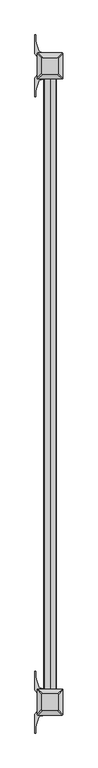
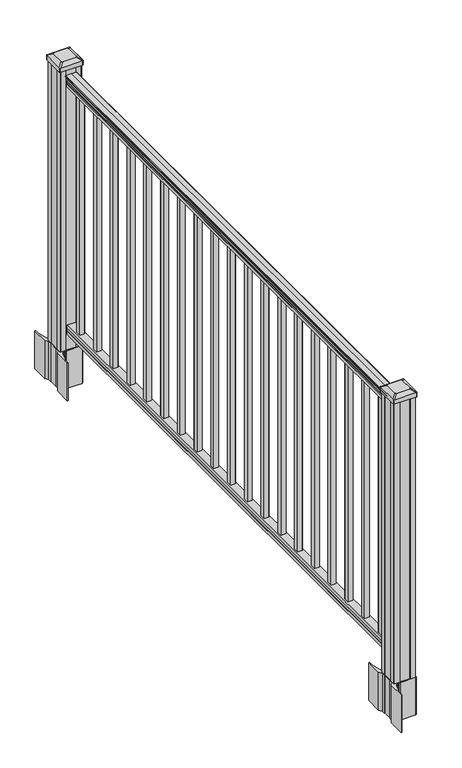
"""IFC4 building model written with IfcOpenShell, lengths in millimetres: railing geometry."""

from ifc_helpers import new_model, si_unit, point, frame, frame_2d, origin, origin_with_axes, place, context, project, spatial, polyline, circle_curve, trimmed, segment, composite_curve, outline, extrude, faceted_brep, source, transform, mapped, element, save
from ifc_brep_helpers import plane_surface, cylinder_surface, revolved_surface, extruded_surface, advanced_brep


def railing_b4187c51(model_context):
    return source(origin(), model_context, "Body", "SolidModel", [
        advanced_brep(
        [(4247.6868644, -6681.7137002, 1090.8043297), (4247.6868644, -6681.7137002, 1092.692412), (4248.8170507, -6681.7137002, 1094.2546695), (4248.8170507, -6681.7137002, 1101.4726458), (4248.1677942, -6681.7137002, 1103.9060812), (4250.6677942, -6681.7137002, 1108.2362083), (4252.0771367, -6681.7137002, 1109.9157972), (4252.4790357, -6681.7137002, 1111.0205318), (4252.4790356, -6681.7137002, 1112.3608158), (4250.9255884, -6681.7137002, 1113.914263), (4230.2540356, -6681.7137002, 1113.914263), (4209.5824828, -6681.7137002, 1113.914263), (4208.0290356, -6681.7137002, 1112.3608158), (4208.0290356, -6681.7137002, 1111.0205318), (4208.4309345, -6681.7137002, 1109.9157972), (4209.840277, -6681.7137002, 1108.2362083), (4212.340277, -6681.7137002, 1103.9060812), (4211.6910206, -6681.7137002, 1101.4726458), (4211.6910206, -6681.7137002, 1094.2546695), (4212.8212069, -6681.7137002, 1092.692412), (4212.8212069, -6681.7137002, 1090.8043297), (4215.3950356, -6681.7137002, 1090.8043297), (4215.3950356, -6681.7137002, 1080.3048283), (4214.3790356, -6681.7137002, 1079.2888283), (4214.3790356, -6681.7137002, 1066.8), (4246.1290356, -6681.7137002, 1066.8), (4246.1290356, -6681.7137002, 1079.131013), (4245.1130356, -6681.7137002, 1080.147013), (4245.1130356, -6681.7137002, 1090.8043297), (4247.6868644, -4548.1137002, 1090.8043297), (4245.1130356, -4548.1137002, 1090.8043297), (4245.1130356, -4548.1137002, 1080.147013), (4246.1290356, -4548.1137002, 1079.131013), (4246.1290356, -4548.1137002, 1066.8), (4214.3790356, -4548.1137002, 1066.8), (4214.3790356, -4548.1137002, 1079.2888283), (4215.3950356, -4548.1137002, 1080.3048283), (4215.3950356, -4548.1137002, 1090.8043297), (4212.8212069, -4548.1137002, 1090.8043297), (4212.8212069, -4548.1137002, 1092.692412), (4211.6910206, -4548.1137002, 1094.2546695), (4211.6910206, -4548.1137002, 1101.4726458), (4212.340277, -4548.1137002, 1103.9060812), (4209.840277, -4548.1137002, 1108.2362083), (4208.4309345, -4548.1137002, 1109.9157972), (4208.0290355, -4548.1137002, 1111.0205318), (4208.0290356, -4548.1137002, 1112.3608158), (4209.5824828, -4548.1137002, 1113.914263), (4230.2540356, -4548.1137002, 1113.914263), (4250.9255884, -4548.1137002, 1113.914263), (4252.4790356, -4548.1137002, 1112.3608158), (4252.4790356, -4548.1137002, 1111.0205318), (4252.0771367, -4548.1137002, 1109.9157972), (4250.6677942, -4548.1137002, 1108.2362083), (4248.1677942, -4548.1137002, 1103.9060812), (4248.8170507, -4548.1137002, 1101.4726458), (4248.8170507, -4548.1137002, 1094.2546695), (4247.6868644, -4548.1137002, 1092.692412)],
        [
            (0, 1),
            (1, 2, circle_curve(frame((4241.3721111, -6681.7137002, 1098.4506383), z_axis=(0.0, -1.0, 0.0), x_axis=(-1.0, 0.0, 0.0)), 8.545951)),
            (2, 3, circle_curve(frame((4241.809174, -6681.7137002, 1097.8636577), z_axis=(0.0, -1.0, 0.0), x_axis=(-1.0, 0.0, 0.0)), 7.882584)),
            (3, 4, circle_curve(frame((4252.3224982, -6681.7137002, 1103.7112527), z_axis=(0.0, 1.0, 0.0), x_axis=(-1.0, 0.0, 0.0)), 4.1592695)),
            (4, 5, circle_curve(frame((4253.6098047, -6681.7137002, 1103.6508864), z_axis=(0.0, 1.0, 0.0), x_axis=(-1.0, 0.0, 0.0)), 5.4479907)),
            (5, 6, circle_curve(frame((4252.3766463, -6681.7137002, 1108.233395), z_axis=(0.0, 1.0, 0.0), x_axis=(-1.0, 0.0, 0.0)), 1.7088543)),
            (6, 7, circle_curve(frame((4250.7597462, -6681.7137002, 1111.0205318), z_axis=(0.0, -1.0, 0.0), x_axis=(-1.0, 0.0, 0.0)), 1.7192895)),
            (7, 8),
            (8, 9, circle_curve(frame((4250.9255884, -6681.7137002, 1112.3608158), z_axis=(0.0, -1.0, 0.0), x_axis=(-1.0, 0.0, 0.0)), 1.5534472)),
            (9, 10),
            (10, 11),
            (11, 12, circle_curve(frame((4209.5824828, -6681.7137002, 1112.3608158), z_axis=(0.0, -1.0, 0.0), x_axis=(1.0, 0.0, 0.0)), 1.5534472)),
            (12, 13),
            (13, 14, circle_curve(frame((4209.748325, -6681.7137002, 1111.0205318), z_axis=(0.0, -1.0, 0.0), x_axis=(1.0, 0.0, 0.0)), 1.7192895)),
            (14, 15, circle_curve(frame((4208.131425, -6681.7137002, 1108.233395), z_axis=(0.0, 1.0, 0.0), x_axis=(1.0, 0.0, 0.0)), 1.7088543)),
            (15, 16, circle_curve(frame((4206.8982665, -6681.7137002, 1103.6508864), z_axis=(0.0, 1.0, 0.0), x_axis=(1.0, 0.0, 0.0)), 5.4479907)),
            (16, 17, circle_curve(frame((4208.1855731, -6681.7137002, 1103.7112527), z_axis=(0.0, 1.0, 0.0), x_axis=(1.0, 0.0, 0.0)), 4.1592695)),
            (17, 18, circle_curve(frame((4218.6988972, -6681.7137002, 1097.8636577), z_axis=(0.0, -1.0, 0.0), x_axis=(1.0, 0.0, 0.0)), 7.882584)),
            (18, 19, circle_curve(frame((4219.1359602, -6681.7137002, 1098.4506383), z_axis=(0.0, -1.0, 0.0), x_axis=(1.0, 0.0, 0.0)), 8.545951)),
            (19, 20),
            (20, 21, circle_curve(frame((4214.1081212, -6681.7137002, 1090.8043297), z_axis=(0.0, -1.0, 0.0), x_axis=(1.0, 0.0, 0.0)), 1.2869144)),
            (21, 22),
            (22, 23),
            (23, 24),
            (24, 25),
            (25, 26),
            (26, 27),
            (27, 28),
            (28, 0, circle_curve(frame((4246.39995, -6681.7137002, 1090.8043297), z_axis=(0.0, -1.0, 0.0), x_axis=(-1.0, 0.0, 0.0)), 1.2869144)),
            (29, 30, circle_curve(frame((4246.39995, -4548.1137002, 1090.8043297), z_axis=(0.0, 1.0, 0.0), x_axis=(-1.0, 0.0, 0.0)), 1.2869144)),
            (30, 31),
            (31, 32),
            (32, 33),
            (33, 34),
            (34, 35),
            (35, 36),
            (36, 37),
            (37, 38, circle_curve(frame((4214.1081212, -4548.1137002, 1090.8043297), z_axis=(0.0, 1.0, 0.0), x_axis=(1.0, 0.0, 0.0)), 1.2869144)),
            (38, 39),
            (39, 40, circle_curve(frame((4219.1359602, -4548.1137002, 1098.4506383), z_axis=(0.0, 1.0, 0.0), x_axis=(1.0, 0.0, 0.0)), 8.545951)),
            (40, 41, circle_curve(frame((4218.6988972, -4548.1137002, 1097.8636577), z_axis=(0.0, 1.0, 0.0), x_axis=(1.0, 0.0, 0.0)), 7.882584)),
            (41, 42, circle_curve(frame((4208.1855731, -4548.1137002, 1103.7112527), z_axis=(0.0, -1.0, 0.0), x_axis=(1.0, 0.0, 0.0)), 4.1592695)),
            (42, 43, circle_curve(frame((4206.8982665, -4548.1137002, 1103.6508864), z_axis=(0.0, -1.0, 0.0), x_axis=(1.0, 0.0, 0.0)), 5.4479907)),
            (43, 44, circle_curve(frame((4208.131425, -4548.1137002, 1108.233395), z_axis=(0.0, -1.0, 0.0), x_axis=(1.0, 0.0, 0.0)), 1.7088543)),
            (44, 45, circle_curve(frame((4209.748325, -4548.1137002, 1111.0205318), z_axis=(0.0, 1.0, 0.0), x_axis=(1.0, 0.0, 0.0)), 1.7192895)),
            (45, 46),
            (46, 47, circle_curve(frame((4209.5824828, -4548.1137002, 1112.3608158), z_axis=(0.0, 1.0, 0.0), x_axis=(1.0, 0.0, 0.0)), 1.5534472)),
            (47, 48),
            (48, 49),
            (49, 50, circle_curve(frame((4250.9255884, -4548.1137002, 1112.3608158), z_axis=(0.0, 1.0, 0.0), x_axis=(-1.0, 0.0, 0.0)), 1.5534472)),
            (50, 51),
            (51, 52, circle_curve(frame((4250.7597462, -4548.1137002, 1111.0205318), z_axis=(0.0, 1.0, 0.0), x_axis=(-1.0, 0.0, 0.0)), 1.7192895)),
            (52, 53, circle_curve(frame((4252.3766463, -4548.1137002, 1108.233395), z_axis=(0.0, -1.0, 0.0), x_axis=(-1.0, 0.0, 0.0)), 1.7088543)),
            (53, 54, circle_curve(frame((4253.6098047, -4548.1137002, 1103.6508864), z_axis=(0.0, -1.0, 0.0), x_axis=(-1.0, 0.0, 0.0)), 5.4479907)),
            (54, 55, circle_curve(frame((4252.3224982, -4548.1137002, 1103.7112527), z_axis=(0.0, -1.0, 0.0), x_axis=(-1.0, 0.0, 0.0)), 4.1592695)),
            (55, 56, circle_curve(frame((4241.809174, -4548.1137002, 1097.8636577), z_axis=(0.0, 1.0, 0.0), x_axis=(-1.0, 0.0, 0.0)), 7.882584)),
            (56, 57, circle_curve(frame((4241.3721111, -4548.1137002, 1098.4506383), z_axis=(0.0, 1.0, 0.0), x_axis=(-1.0, 0.0, 0.0)), 8.545951)),
            (57, 29),
            (28, 30),
            (29, 0),
            (27, 31),
            (26, 32),
            (25, 33),
            (24, 34),
            (23, 35),
            (22, 36),
            (21, 37),
            (20, 38),
            (19, 39),
            (18, 40),
            (17, 41),
            (16, 42),
            (15, 43),
            (14, 44),
            (13, 45),
            (12, 46),
            (11, 47),
            (10, 48),
            (9, 49),
            (8, 50),
            (7, 51),
            (6, 52),
            (5, 53),
            (4, 54),
            (3, 55),
            (2, 56),
            (1, 57),
        ],
        [
            plane_surface(frame((4230.2540356, -6681.7137002, 1066.8), z_axis=(0.0, -1.0, 0.0), x_axis=(0.0, 0.0, 1.0))),
            plane_surface(frame((4230.2540356, -4548.1137002, 1066.8), z_axis=(0.0, 1.0, 0.0), x_axis=(0.0, 0.0, 1.0))),
            cylinder_surface(frame((4246.39995, -6681.7137002, 1090.8043297), z_axis=(0.0, -1.0, 0.0), x_axis=(-1.0, 0.0, 0.0)), 1.2869144),
            plane_surface(frame((4245.1130356, -6681.7137002, 1080.147013), z_axis=(1.0, 0.0, 0.0), x_axis=(0.0, 1.0, 0.0))),
            plane_surface(frame((4246.1290356, -6681.7137002, 1079.131013), z_axis=(0.7071067811865395, 0.0, 0.7071067811865556), x_axis=(0.0, 1.0, 0.0))),
            plane_surface(frame((4246.1290356, -6681.7137002, 1066.8), z_axis=(1.0, 0.0, 0.0), x_axis=(0.0, 1.0, 0.0))),
            plane_surface(frame((4214.3790356, -6681.7137002, 1066.8), z_axis=(0.0, 0.0, -1.0), x_axis=(0.0, 1.0, 0.0))),
            plane_surface(frame((4214.3790356, -6681.7137002, 1079.2888283), z_axis=(-1.0, 0.0, 0.0), x_axis=(0.0, 1.0, 0.0))),
            plane_surface(frame((4215.3950356, -6681.7137002, 1080.3048283), z_axis=(-0.7071067811865432, 0.0, 0.707106781186552), x_axis=(0.0, 1.0, 0.0))),
            plane_surface(frame((4215.3950356, -6681.7137002, 1090.8043297), z_axis=(-1.0, 0.0, 0.0), x_axis=(0.0, 1.0, 0.0))),
            cylinder_surface(frame((4214.1081212, -6681.7137002, 1090.8043297), z_axis=(0.0, -1.0, 0.0), x_axis=(1.0, 0.0, 0.0)), 1.2869144),
            plane_surface(frame((4212.8212069, -6681.7137002, 1092.692412), z_axis=(-1.0, 0.0, 0.0), x_axis=(0.0, 1.0, 0.0))),
            cylinder_surface(frame((4219.1359602, -6681.7137002, 1098.4506383), z_axis=(0.0, -1.0, 0.0), x_axis=(1.0, 0.0, 0.0)), 8.545951),
            cylinder_surface(frame((4218.6988972, -6681.7137002, 1097.8636577), z_axis=(0.0, -1.0, 0.0), x_axis=(1.0, 0.0, 0.0)), 7.882584),
            revolved_surface(polyline([(4212.3448425999995, -4548.1137002, 1103.7112527), (4212.3448425999995, -6681.7137002, 1103.7112527)]), (4208.1855731, -6681.7137002, 1103.7112527), (0.0, 1.0, 0.0)),
            revolved_surface(polyline([(4212.346257200001, -4548.1137002, 1103.6508864), (4212.346257200001, -6681.7137002, 1103.6508864)]), (4206.8982665, -6681.7137002, 1103.6508864), (0.0, 1.0, 0.0)),
            revolved_surface(polyline([(4209.8402793, -4548.1137002, 1108.233395), (4209.8402793, -6681.7137002, 1108.233395)]), (4208.131425, -6681.7137002, 1108.233395), (0.0, 1.0, 0.0)),
            cylinder_surface(frame((4209.748325, -6681.7137002, 1111.0205318), z_axis=(0.0, -1.0, 0.0), x_axis=(1.0, 0.0, 0.0)), 1.7192895),
            plane_surface(frame((4208.0290356, -6681.7137002, 1112.3608158), z_axis=(-1.0, 0.0, 0.0), x_axis=(0.0, 1.0, 0.0))),
            cylinder_surface(frame((4209.5824828, -6681.7137002, 1112.3608158), z_axis=(0.0, -1.0, 0.0), x_axis=(1.0, 0.0, 0.0)), 1.5534472),
            plane_surface(frame((4230.2540356, -6681.7137002, 1113.914263), z_axis=(0.0, 0.0, 1.0), x_axis=(0.0, 1.0, 0.0))),
            plane_surface(frame((4250.9255884, -6681.7137002, 1113.914263), z_axis=(0.0, 0.0, 1.0), x_axis=(0.0, 1.0, 0.0))),
            cylinder_surface(frame((4250.9255884, -6681.7137002, 1112.3608158), z_axis=(0.0, -1.0, 0.0), x_axis=(-1.0, 0.0, 0.0)), 1.5534472),
            plane_surface(frame((4252.4790356, -6681.7137002, 1111.0205318), z_axis=(1.0, 0.0, 0.0), x_axis=(0.0, 1.0, 0.0))),
            cylinder_surface(frame((4250.7597462, -6681.7137002, 1111.0205318), z_axis=(0.0, -1.0, 0.0), x_axis=(-1.0, 0.0, 0.0)), 1.7192895),
            revolved_surface(polyline([(4250.667792, -4548.1137002, 1108.233395), (4250.667792, -6681.7137002, 1108.233395)]), (4252.3766463, -6681.7137002, 1108.233395), (0.0, 1.0, 0.0)),
            revolved_surface(polyline([(4248.161813999999, -4548.1137002, 1103.6508864), (4248.161813999999, -6681.7137002, 1103.6508864)]), (4253.6098047, -6681.7137002, 1103.6508864), (0.0, 1.0, 0.0)),
            revolved_surface(polyline([(4248.1632287, -4548.1137002, 1103.7112527), (4248.1632287, -6681.7137002, 1103.7112527)]), (4252.3224982, -6681.7137002, 1103.7112527), (0.0, 1.0, 0.0)),
            cylinder_surface(frame((4241.809174, -6681.7137002, 1097.8636577), z_axis=(0.0, -1.0, 0.0), x_axis=(-1.0, 0.0, 0.0)), 7.882584),
            cylinder_surface(frame((4241.3721111, -6681.7137002, 1098.4506383), z_axis=(0.0, -1.0, 0.0), x_axis=(-1.0, 0.0, 0.0)), 8.545951),
            plane_surface(frame((4247.6868644, -6681.7137002, 1090.8043297), z_axis=(1.0, 0.0, 0.0), x_axis=(0.0, 1.0, 0.0))),
        ],
        [
            (0, [[1, 2, 3, 4, 5, 6, 7, 8, 9, 10, 11, 12, 13, 14, 15, 16, 17, 18, 19, 20, 21, 22, 23, 24, 25, 26, 27, 28, 29]]),
            (1, [[30, 31, 32, 33, 34, 35, 36, 37, 38, 39, 40, 41, 42, 43, 44, 45, 46, 47, 48, 49, 50, 51, 52, 53, 54, 55, 56, 57, 58]]),
            (2, [[-29, 59, -30, 60]]),
            (3, [[-28, 61, -31, -59]]),
            (4, [[-27, 62, -32, -61]]),
            (5, [[-26, 63, -33, -62]]),
            (6, [[-25, 64, -34, -63]]),
            (7, [[-24, 65, -35, -64]]),
            (8, [[-23, 66, -36, -65]]),
            (9, [[-22, 67, -37, -66]]),
            (10, [[-21, 68, -38, -67]]),
            (11, [[-20, 69, -39, -68]]),
            (12, [[-19, 70, -40, -69]]),
            (13, [[-18, 71, -41, -70]]),
            (14, [[-17, 72, -42, -71]]),
            (15, [[-16, 73, -43, -72]]),
            (16, [[-15, 74, -44, -73]]),
            (17, [[-14, 75, -45, -74]]),
            (18, [[-13, 76, -46, -75]]),
            (19, [[-12, 77, -47, -76]]),
            (20, [[-11, 78, -48, -77]]),
            (21, [[-10, 79, -49, -78]]),
            (22, [[-9, 80, -50, -79]]),
            (23, [[-8, 81, -51, -80]]),
            (24, [[-7, 82, -52, -81]]),
            (25, [[-6, 83, -53, -82]]),
            (26, [[-5, 84, -54, -83]]),
            (27, [[-4, 85, -55, -84]]),
            (28, [[-3, 86, -56, -85]]),
            (29, [[-2, 87, -57, -86]]),
            (30, [[-1, -60, -58, -87]]),
        ],
    ),
        faceted_brep([(4246.1665225, -6681.7137002, 76.0541976), (4245.1505225, -6681.7137002, 77.3546183), (4245.1505225, -6681.7137002, 87.7141717), (4246.1665225, -6681.7137002, 89.0624492), (4246.1665225, -6681.7137002, 101.5958781), (4214.4165225, -6681.7137002, 101.5958781), (4214.4165225, -6681.7137002, 89.0458024), (4215.4325225, -6681.7137002, 87.6975248), (4215.4325225, -6681.7137002, 77.3858283), (4214.4165225, -6681.7137002, 76.0375508), (4214.4165225, -6681.7137002, 63.5), (4246.1665225, -6681.7137002, 63.5), (4246.1665225, -4548.1137002, 76.0541976), (4246.1665225, -4548.1137002, 63.5), (4214.4165225, -4548.1137002, 63.5), (4214.4165225, -4548.1137002, 76.0375508), (4215.4325225, -4548.1137002, 77.3858283), (4215.4325225, -4548.1137002, 87.6975248), (4214.4165225, -4548.1137002, 89.0458024), (4214.4165225, -4548.1137002, 101.5958781), (4246.1665225, -4548.1137002, 101.5958781), (4246.1665225, -4548.1137002, 89.0624492), (4245.1505225, -4548.1137002, 87.7141717), (4245.1505225, -4548.1137002, 77.3546183)], [[[0, 1, 2, 3, 4, 5, 6, 7, 8, 9, 10, 11]], [[12, 13, 14, 15, 16, 17, 18, 19, 20, 21, 22, 23]], [[0, 11, 13, 12]], [[11, 10, 14, 13]], [[10, 9, 15, 14]], [[9, 8, 16, 15]], [[8, 7, 17, 16]], [[7, 6, 18, 17]], [[6, 5, 19, 18]], [[5, 4, 20, 19]], [[4, 3, 21, 20]], [[3, 2, 22, 21]], [[2, 1, 23, 22]], [[1, 0, 12, 23]]]),
        extrude(outline(polyline([(4239.7790356, -4621.9007002), (4220.7290356, -4621.9007002), (4220.7290356, -4602.8507002), (4239.7790356, -4602.8507002), (4239.7790356, -4621.9007002)]), holes=[polyline([(4239.3821606, -4621.5038252), (4239.3821606, -4603.2475752), (4221.1259106, -4603.2475752), (4221.1259106, -4621.5038252), (4239.3821606, -4621.5038252)])]), frame((0.0, 0.0, 101.5958781), z_axis=(0.0, 0.0, 1.0), x_axis=(1.0, 0.0, 0.0)), (0.0, 0.0, 1.0), 965.2041219),
        extrude(outline(polyline([(4239.7790356, -4733.1527002), (4220.7290356, -4733.1527002), (4220.7290356, -4714.1027002), (4239.7790356, -4714.1027002), (4239.7790356, -4733.1527002)]), holes=[polyline([(4239.3821606, -4732.7558252), (4239.3821606, -4714.4995752), (4221.1259106, -4714.4995752), (4221.1259106, -4732.7558252), (4239.3821606, -4732.7558252)])]), frame((0.0, 0.0, 101.5958781), z_axis=(0.0, 0.0, 1.0), x_axis=(1.0, 0.0, 0.0)), (0.0, 0.0, 1.0), 965.2041219),
        extrude(outline(polyline([(4239.7790356, -4844.4047002), (4220.7290356, -4844.4047002), (4220.7290356, -4825.3547002), (4239.7790356, -4825.3547002), (4239.7790356, -4844.4047002)]), holes=[polyline([(4239.3821606, -4844.0078252), (4239.3821606, -4825.7515752), (4221.1259106, -4825.7515752), (4221.1259106, -4844.0078252), (4239.3821606, -4844.0078252)])]), frame((0.0, 0.0, 101.5958781), z_axis=(0.0, 0.0, 1.0), x_axis=(1.0, 0.0, 0.0)), (0.0, 0.0, 1.0), 965.2041219),
        extrude(outline(polyline([(4239.7790356, -4955.6567002), (4220.7290356, -4955.6567002), (4220.7290356, -4936.6067002), (4239.7790356, -4936.6067002), (4239.7790356, -4955.6567002)]), holes=[polyline([(4239.3821606, -4955.2598252), (4239.3821606, -4937.0035752), (4221.1259106, -4937.0035752), (4221.1259106, -4955.2598252), (4239.3821606, -4955.2598252)])]), frame((0.0, 0.0, 101.5958781), z_axis=(0.0, 0.0, 1.0), x_axis=(1.0, 0.0, 0.0)), (0.0, 0.0, 1.0), 965.2041219),
        extrude(outline(polyline([(4239.7790356, -5066.9087002), (4220.7290356, -5066.9087002), (4220.7290356, -5047.8587002), (4239.7790356, -5047.8587002), (4239.7790356, -5066.9087002)]), holes=[polyline([(4239.3821606, -5066.5118252), (4239.3821606, -5048.2555752), (4221.1259106, -5048.2555752), (4221.1259106, -5066.5118252), (4239.3821606, -5066.5118252)])]), frame((0.0, 0.0, 101.5958781), z_axis=(0.0, 0.0, 1.0), x_axis=(1.0, 0.0, 0.0)), (0.0, 0.0, 1.0), 965.2041219),
        extrude(outline(polyline([(4239.7790356, -5178.1607002), (4220.7290356, -5178.1607002), (4220.7290356, -5159.1107002), (4239.7790356, -5159.1107002), (4239.7790356, -5178.1607002)]), holes=[polyline([(4239.3821606, -5177.7638252), (4239.3821606, -5159.5075752), (4221.1259106, -5159.5075752), (4221.1259106, -5177.7638252), (4239.3821606, -5177.7638252)])]), frame((0.0, 0.0, 101.5958781), z_axis=(0.0, 0.0, 1.0), x_axis=(1.0, 0.0, 0.0)), (0.0, 0.0, 1.0), 965.2041219),
        extrude(outline(polyline([(4239.7790356, -5289.4127002), (4220.7290356, -5289.4127002), (4220.7290356, -5270.3627002), (4239.7790356, -5270.3627002), (4239.7790356, -5289.4127002)]), holes=[polyline([(4239.3821606, -5289.0158252), (4239.3821606, -5270.7595752), (4221.1259106, -5270.7595752), (4221.1259106, -5289.0158252), (4239.3821606, -5289.0158252)])]), frame((0.0, 0.0, 101.5958781), z_axis=(0.0, 0.0, 1.0), x_axis=(1.0, 0.0, 0.0)), (0.0, 0.0, 1.0), 965.2041219),
        extrude(outline(polyline([(4239.7790356, -5400.6647002), (4220.7290356, -5400.6647002), (4220.7290356, -5381.6147002), (4239.7790356, -5381.6147002), (4239.7790356, -5400.6647002)]), holes=[polyline([(4239.3821606, -5400.2678252), (4239.3821606, -5382.0115752), (4221.1259106, -5382.0115752), (4221.1259106, -5400.2678252), (4239.3821606, -5400.2678252)])]), frame((0.0, 0.0, 101.5958781), z_axis=(0.0, 0.0, 1.0), x_axis=(1.0, 0.0, 0.0)), (0.0, 0.0, 1.0), 965.2041219),
        extrude(outline(polyline([(4239.7790356, -5511.9167002), (4220.7290356, -5511.9167002), (4220.7290356, -5492.8667002), (4239.7790356, -5492.8667002), (4239.7790356, -5511.9167002)]), holes=[polyline([(4239.3821606, -5511.5198252), (4239.3821606, -5493.2635752), (4221.1259106, -5493.2635752), (4221.1259106, -5511.5198252), (4239.3821606, -5511.5198252)])]), frame((0.0, 0.0, 101.5958781), z_axis=(0.0, 0.0, 1.0), x_axis=(1.0, 0.0, 0.0)), (0.0, 0.0, 1.0), 965.2041219),
        extrude(outline(polyline([(4239.7790356, -5623.1687002), (4220.7290356, -5623.1687002), (4220.7290356, -5604.1187002), (4239.7790356, -5604.1187002), (4239.7790356, -5623.1687002)]), holes=[polyline([(4239.3821606, -5622.7718252), (4239.3821606, -5604.5155752), (4221.1259106, -5604.5155752), (4221.1259106, -5622.7718252), (4239.3821606, -5622.7718252)])]), frame((0.0, 0.0, 101.5958781), z_axis=(0.0, 0.0, 1.0), x_axis=(1.0, 0.0, 0.0)), (0.0, 0.0, 1.0), 965.2041219),
        extrude(outline(polyline([(4239.7790356, -5734.4207002), (4220.7290356, -5734.4207002), (4220.7290356, -5715.3707002), (4239.7790356, -5715.3707002), (4239.7790356, -5734.4207002)]), holes=[polyline([(4239.3821606, -5734.0238252), (4239.3821606, -5715.7675752), (4221.1259106, -5715.7675752), (4221.1259106, -5734.0238252), (4239.3821606, -5734.0238252)])]), frame((0.0, 0.0, 101.5958781), z_axis=(0.0, 0.0, 1.0), x_axis=(1.0, 0.0, 0.0)), (0.0, 0.0, 1.0), 965.2041219),
        extrude(outline(polyline([(4239.7790356, -5845.6727002), (4220.7290356, -5845.6727002), (4220.7290356, -5826.6227002), (4239.7790356, -5826.6227002), (4239.7790356, -5845.6727002)]), holes=[polyline([(4239.3821606, -5845.2758252), (4239.3821606, -5827.0195752), (4221.1259106, -5827.0195752), (4221.1259106, -5845.2758252), (4239.3821606, -5845.2758252)])]), frame((0.0, 0.0, 101.5958781), z_axis=(0.0, 0.0, 1.0), x_axis=(1.0, 0.0, 0.0)), (0.0, 0.0, 1.0), 965.2041219),
        extrude(outline(polyline([(4239.7790356, -5956.9247002), (4220.7290356, -5956.9247002), (4220.7290356, -5937.8747002), (4239.7790356, -5937.8747002), (4239.7790356, -5956.9247002)]), holes=[polyline([(4239.3821606, -5956.5278252), (4239.3821606, -5938.2715752), (4221.1259106, -5938.2715752), (4221.1259106, -5956.5278252), (4239.3821606, -5956.5278252)])]), frame((0.0, 0.0, 101.5958781), z_axis=(0.0, 0.0, 1.0), x_axis=(1.0, 0.0, 0.0)), (0.0, 0.0, 1.0), 965.2041219),
        extrude(outline(polyline([(4239.7790356, -6068.1767002), (4220.7290356, -6068.1767002), (4220.7290356, -6049.1267002), (4239.7790356, -6049.1267002), (4239.7790356, -6068.1767002)]), holes=[polyline([(4239.3821606, -6067.7798252), (4239.3821606, -6049.5235752), (4221.1259106, -6049.5235752), (4221.1259106, -6067.7798252), (4239.3821606, -6067.7798252)])]), frame((0.0, 0.0, 101.5958781), z_axis=(0.0, 0.0, 1.0), x_axis=(1.0, 0.0, 0.0)), (0.0, 0.0, 1.0), 965.2041219),
        extrude(outline(polyline([(4239.7790356, -6179.4287002), (4220.7290356, -6179.4287002), (4220.7290356, -6160.3787002), (4239.7790356, -6160.3787002), (4239.7790356, -6179.4287002)]), holes=[polyline([(4239.3821606, -6179.0318252), (4239.3821606, -6160.7755752), (4221.1259106, -6160.7755752), (4221.1259106, -6179.0318252), (4239.3821606, -6179.0318252)])]), frame((0.0, 0.0, 101.5958781), z_axis=(0.0, 0.0, 1.0), x_axis=(1.0, 0.0, 0.0)), (0.0, 0.0, 1.0), 965.2041219),
        extrude(outline(polyline([(4239.7790356, -6290.6807002), (4220.7290356, -6290.6807002), (4220.7290356, -6271.6307002), (4239.7790356, -6271.6307002), (4239.7790356, -6290.6807002)]), holes=[polyline([(4239.3821606, -6290.2838252), (4239.3821606, -6272.0275752), (4221.1259106, -6272.0275752), (4221.1259106, -6290.2838252), (4239.3821606, -6290.2838252)])]), frame((0.0, 0.0, 101.5958781), z_axis=(0.0, 0.0, 1.0), x_axis=(1.0, 0.0, 0.0)), (0.0, 0.0, 1.0), 965.2041219),
        extrude(outline(polyline([(4239.7790356, -6401.9327002), (4220.7290356, -6401.9327002), (4220.7290356, -6382.8827002), (4239.7790356, -6382.8827002), (4239.7790356, -6401.9327002)]), holes=[polyline([(4239.3821606, -6401.5358252), (4239.3821606, -6383.2795752), (4221.1259106, -6383.2795752), (4221.1259106, -6401.5358252), (4239.3821606, -6401.5358252)])]), frame((0.0, 0.0, 101.5958781), z_axis=(0.0, 0.0, 1.0), x_axis=(1.0, 0.0, 0.0)), (0.0, 0.0, 1.0), 965.2041219),
        extrude(outline(polyline([(4239.7790356, -6513.1847002), (4220.7290356, -6513.1847002), (4220.7290356, -6494.1347002), (4239.7790356, -6494.1347002), (4239.7790356, -6513.1847002)]), holes=[polyline([(4239.3821606, -6512.7878252), (4239.3821606, -6494.5315752), (4221.1259106, -6494.5315752), (4221.1259106, -6512.7878252), (4239.3821606, -6512.7878252)])]), frame((0.0, 0.0, 101.5958781), z_axis=(0.0, 0.0, 1.0), x_axis=(1.0, 0.0, 0.0)), (0.0, 0.0, 1.0), 965.2041219),
        extrude(outline(polyline([(4239.7790356, -6624.4367002), (4220.7290356, -6624.4367002), (4220.7290356, -6605.3867002), (4239.7790356, -6605.3867002), (4239.7790356, -6624.4367002)]), holes=[polyline([(4239.3821606, -6624.0398252), (4239.3821606, -6605.7835752), (4221.1259106, -6605.7835752), (4221.1259106, -6624.0398252), (4239.3821606, -6624.0398252)])]), frame((0.0, 0.0, 101.5958781), z_axis=(0.0, 0.0, 1.0), x_axis=(1.0, 0.0, 0.0)), (0.0, 0.0, 1.0), 965.2041219),
        extrude(outline(composite_curve([segment(polyline([(4272.9895356, -4524.0977951), (4274.5770356, -4524.8597951), (4274.5770356, -4547.6617232), (4271.2040586, -4551.0347002), (4209.7443877, -4551.0347002), (4209.7443877, -4551.9554502), (4204.4268439, -4551.9554502), (4204.4268439, -4553.4097049), (4199.3423142, -4553.4097049), (4199.3423142, -4554.6937288), (4197.6750419, -4554.6937288)]), True, "CONTINUOUS"), segment(trimmed(circle_curve(frame_2d((4197.6750419, -4561.7531886)), 7.0594599), [point((4197.6750419, -4554.6937288))], [point((4190.907779, -4559.7431819))], True, "CARTESIAN"), True, "CONTINUOUS"), segment(polyline([(4190.907779, -4559.7431819), (4183.0335848, -4586.253911)]), True, "CONTINUOUS"), segment(trimmed(circle_curve(frame_2d((4237.8180981, -4602.5259607)), 57.15), [point((4183.0335848, -4586.253911))], [point((4180.6680981, -4602.5259607))], True, "CARTESIAN"), True, "CONTINUOUS"), segment(polyline([(4180.6680981, -4602.5259607), (4180.6680981, -4614.5347002), (4177.6680981, -4614.5347002), (4177.6680981, -4549.4472002), (4185.9310356, -4538.1089089), (4185.9310356, -4524.8597951), (4187.5185356, -4524.0977951), (4187.5185356, -4489.3256054), (4185.9310356, -4488.5636054), (4185.9310356, -4475.3144916), (4177.6680981, -4463.9762002), (4177.6680981, -4398.8887002), (4180.6680981, -4398.8887002), (4180.6680981, -4410.8974398)]), True, "CONTINUOUS"), segment(trimmed(circle_curve(frame_2d((4237.8180981, -4410.8974398)), 57.15), [point((4180.6680981, -4410.8974398))], [point((4183.0335848, -4427.1694894))], True, "CARTESIAN"), True, "CONTINUOUS"), segment(polyline([(4183.0335848, -4427.1694894), (4190.907779, -4453.6802185)]), True, "CONTINUOUS"), segment(trimmed(circle_curve(frame_2d((4197.6750419, -4451.6702119)), 7.0594599), [point((4190.907779, -4453.6802185))], [point((4197.6750419, -4458.7296717))], True, "CARTESIAN"), True, "CONTINUOUS"), segment(polyline([(4197.6750419, -4458.7296717), (4199.3423142, -4458.7296717), (4199.3423142, -4460.0136955), (4204.4268439, -4460.0136955), (4204.4268439, -4461.4679502), (4209.7443877, -4461.4679502), (4209.7443877, -4462.3887002), (4271.2040586, -4462.3887002), (4274.5770356, -4465.7616773), (4274.5770356, -4488.5636054), (4272.9895356, -4489.3256054), (4272.9895356, -4524.0977951)]), True, "CONTINUOUS")], self_intersect=False), holes=[polyline([(4188.9790356, -4467.0242002), (4188.9790356, -4546.3992002), (4190.5665356, -4547.9867002), (4227.4908182, -4547.9867002), (4269.9415356, -4547.9867002), (4271.5290356, -4546.3992002), (4271.5290356, -4467.0242002), (4269.9415356, -4465.4367002), (4227.4908182, -4465.4367002), (4190.5665356, -4465.4367002), (4188.9790356, -4467.0242002)])]), frame((0.0, 0.0, -152.4), z_axis=(0.0, 0.0, 1.0), x_axis=(1.0, 0.0, 0.0)), (0.0, 0.0, 1.0), 152.4),
        advanced_brep(
        [(4204.4571606, -4535.6835752, 1165.225), (4256.0509106, -4535.6835752, 1165.225), (4259.2259106, -4532.5085752, 1165.225), (4259.2259106, -4480.9148252, 1165.225), (4256.0509106, -4477.7398252, 1165.225), (4204.4571606, -4477.7398252, 1165.225), (4201.2821606, -4480.9148252, 1165.225), (4201.2821606, -4532.5085752, 1165.225), (4188.1852856, -4551.9554502, 1153.922), (4185.0102856, -4548.7804502, 1153.922), (4185.0102856, -4464.6429502, 1153.922), (4188.1852856, -4461.4679502, 1153.922), (4272.3227856, -4461.4679502, 1153.922), (4275.4977856, -4464.6429502, 1153.922), (4275.4977856, -4548.7804502, 1153.922), (4272.3227856, -4551.9554502, 1153.922)],
        [
            (0, 1),
            (1, 2, circle_curve(frame((4256.0509106, -4532.5085752, 1165.225), z_axis=(0.0, 0.0, 1.0), x_axis=(0.0, 1.0, 0.0)), 3.175)),
            (2, 3),
            (3, 4, circle_curve(frame((4256.0509106, -4480.9148252, 1165.225), z_axis=(0.0, 0.0, 1.0), x_axis=(0.0, 1.0, 0.0)), 3.175)),
            (4, 5),
            (5, 6, circle_curve(frame((4204.4571606, -4480.9148252, 1165.225), z_axis=(0.0, 0.0, 1.0), x_axis=(0.0, 1.0, 0.0)), 3.175)),
            (6, 7),
            (7, 0, circle_curve(frame((4204.4571606, -4532.5085752, 1165.225), z_axis=(0.0, 0.0, 1.0), x_axis=(0.0, 1.0, 0.0)), 3.175)),
            (8, 9, circle_curve(frame((4188.1852856, -4548.7804502, 1153.922), z_axis=(0.0, 0.0, -1.0), x_axis=(0.0, 1.0, 0.0)), 3.175)),
            (9, 10),
            (10, 11, circle_curve(frame((4188.1852856, -4464.6429502, 1153.922), z_axis=(0.0, 0.0, -1.0), x_axis=(0.0, 1.0, 0.0)), 3.175)),
            (11, 12),
            (12, 13, circle_curve(frame((4272.3227856, -4464.6429502, 1153.922), z_axis=(0.0, 0.0, -1.0), x_axis=(0.0, 1.0, 0.0)), 3.175)),
            (13, 14),
            (14, 15, circle_curve(frame((4272.3227856, -4548.7804502, 1153.922), z_axis=(0.0, 0.0, -1.0), x_axis=(0.0, 1.0, 0.0)), 3.175)),
            (15, 8),
            (8, 0),
            (7, 9),
            (6, 10),
            (5, 11),
            (4, 12),
            (3, 13),
            (2, 14),
            (1, 15),
        ],
        [
            plane_surface(frame((4230.2540356, -4506.7117002, 1165.225), z_axis=(0.0, 0.0, 1.0), x_axis=(-1.0, 0.0, 0.0))),
            plane_surface(frame((4230.2540356, -4506.7117002, 1153.922), z_axis=(0.0, 0.0, -1.0), x_axis=(-1.0, 0.0, 0.0))),
            extruded_surface(trimmed(circle_curve(frame((4204.4571606, -4532.5085752, 1165.225), z_axis=(0.0, 0.0, -1.0), x_axis=(0.0, 1.0, 0.0)), 3.175), [point((4204.4571606, -4535.6835752, 1165.225))], [point((4201.2821606, -4532.5085752, 1165.225))], True, "CARTESIAN"), (-16.271875000000364, -16.271874999999454, -11.302999999999884), 25.637972638865996),
            plane_surface(frame((4185.0102856, -4506.7117002, 1153.922), z_axis=(-0.5705009161540777, 0.0, 0.8212969649690409), x_axis=(0.0, 1.0, 0.0))),
            extruded_surface(trimmed(circle_curve(frame((4204.4571606, -4480.9148252, 1165.225), z_axis=(0.0, 0.0, -1.0), x_axis=(0.0, 1.0, 0.0)), 3.175), [point((4201.2821606, -4480.9148252, 1165.225))], [point((4204.4571606, -4477.7398252, 1165.225))], True, "CARTESIAN"), (-16.271875000000364, 16.271875000000364, -11.302999999999884), 25.63797263886657),
            plane_surface(frame((4230.2540356, -4461.4679502, 1153.922), z_axis=(0.0, 0.5705009161540291, 0.8212969649690747), x_axis=(1.0, 0.0, 0.0))),
            extruded_surface(trimmed(circle_curve(frame((4256.0509106, -4480.9148252, 1165.225), z_axis=(0.0, 0.0, -1.0), x_axis=(0.0, 1.0, 0.0)), 3.175), [point((4256.0509106, -4477.7398252, 1165.225))], [point((4259.2259106, -4480.9148252, 1165.225))], True, "CARTESIAN"), (16.271875000000364, 16.271875000000364, -11.302999999999884), 25.63797263886657),
            plane_surface(frame((4275.4977856, -4506.7117002, 1153.922), z_axis=(0.5705009161540143, 0.0, 0.821296964969085), x_axis=(0.0, -1.0, 0.0))),
            extruded_surface(trimmed(circle_curve(frame((4256.0509106, -4532.5085752, 1165.225), z_axis=(0.0, 0.0, -1.0), x_axis=(0.0, 1.0, 0.0)), 3.175), [point((4259.2259106, -4532.5085752, 1165.225))], [point((4256.0509106, -4535.6835752, 1165.225))], True, "CARTESIAN"), (16.271875000000364, -16.271874999999454, -11.302999999999884), 25.637972638865996),
            plane_surface(frame((4230.2540356, -4551.9554502, 1153.922), z_axis=(0.0, -0.570500916154034, 0.8212969649690713), x_axis=(-1.0, 0.0, 0.0))),
        ],
        [
            (0, [[1, 2, 3, 4, 5, 6, 7, 8]]),
            (1, [[9, 10, 11, 12, 13, 14, 15, 16]]),
            (2, [[17, -8, 18, -9]]),
            (3, [[-18, -7, 19, -10]]),
            (4, [[-19, -6, 20, -11]]),
            (5, [[-20, -5, 21, -12]]),
            (6, [[-21, -4, 22, -13]]),
            (7, [[-22, -3, 23, -14]]),
            (8, [[-23, -2, 24, -15]]),
            (9, [[-24, -1, -17, -16]]),
        ],
    ),
        extrude(outline(composite_curve([segment(trimmed(circle_curve(frame_2d((4188.1852856, -4548.7804502)), 3.175), [point((4188.1852856, -4551.9554502))], [point((4185.0102856, -4548.7804502))], False, "CARTESIAN"), True, "CONTINUOUS"), segment(polyline([(4185.0102856, -4548.7804502), (4185.0102856, -4464.6429502)]), True, "CONTINUOUS"), segment(trimmed(circle_curve(frame_2d((4188.1852856, -4464.6429502)), 3.175), [point((4185.0102856, -4464.6429502))], [point((4188.1852856, -4461.4679502))], False, "CARTESIAN"), True, "CONTINUOUS"), segment(polyline([(4188.1852856, -4461.4679502), (4272.3227856, -4461.4679502)]), True, "CONTINUOUS"), segment(trimmed(circle_curve(frame_2d((4272.3227856, -4464.6429502)), 3.175), [point((4272.3227856, -4461.4679502))], [point((4275.4977856, -4464.6429502))], False, "CARTESIAN"), True, "CONTINUOUS"), segment(polyline([(4275.4977856, -4464.6429502), (4275.4977856, -4548.7804502)]), True, "CONTINUOUS"), segment(trimmed(circle_curve(frame_2d((4272.3227856, -4548.7804502)), 3.175), [point((4275.4977856, -4548.7804502))], [point((4272.3227856, -4551.9554502))], False, "CARTESIAN"), True, "CONTINUOUS"), segment(polyline([(4272.3227856, -4551.9554502), (4188.1852856, -4551.9554502)]), True, "CONTINUOUS")], self_intersect=False)), frame((0.0, 0.0, 1136.65), z_axis=(0.0, 0.0, 1.0), x_axis=(1.0, 0.0, 0.0)), (0.0, 0.0, 1.0), 17.272),
        extrude(outline(polyline([(4190.5665356, -4547.9867002), (4188.9790356, -4546.3992002), (4188.9790356, -4526.7777002), (4190.5665356, -4526.0157002), (4190.5665356, -4487.4077002), (4188.9790356, -4486.6457002), (4188.9790356, -4467.0242002), (4190.5665356, -4465.4367002), (4210.1880356, -4465.4367002), (4210.9500356, -4467.0242002), (4249.5580356, -4467.0242002), (4250.3200356, -4465.4367002), (4269.9415356, -4465.4367002), (4271.5290356, -4467.0242002), (4271.5290356, -4486.6457002), (4269.9415356, -4487.4077002), (4269.9415356, -4526.0157002), (4271.5290356, -4526.7777002), (4271.5290356, -4546.3992002), (4269.9415356, -4547.9867002), (4250.3200356, -4547.9867002), (4249.5580356, -4546.3992002), (4210.9500356, -4546.3992002), (4210.1880356, -4547.9867002), (4190.5665356, -4547.9867002)])), origin_with_axes(), (0.0, 0.0, 1.0), 1136.65),
        extrude(outline(composite_curve([segment(polyline([(4272.9895356, -6740.5017951), (4274.5770356, -6741.2637951), (4274.5770356, -6764.0657232), (4271.2040586, -6767.4387002), (4209.7443877, -6767.4387002), (4209.7443877, -6768.3594502), (4204.4268439, -6768.3594502), (4204.4268439, -6769.8137049), (4199.3423142, -6769.8137049), (4199.3423142, -6771.0977288), (4197.6750419, -6771.0977288)]), True, "CONTINUOUS"), segment(trimmed(circle_curve(frame_2d((4197.6750419, -6778.1571886)), 7.0594599), [point((4197.6750419, -6771.0977288))], [point((4190.907779, -6776.1471819))], True, "CARTESIAN"), True, "CONTINUOUS"), segment(polyline([(4190.907779, -6776.1471819), (4183.0335848, -6802.657911)]), True, "CONTINUOUS"), segment(trimmed(circle_curve(frame_2d((4237.8180981, -6818.9299607)), 57.15), [point((4183.0335848, -6802.657911))], [point((4180.6680981, -6818.9299607))], True, "CARTESIAN"), True, "CONTINUOUS"), segment(polyline([(4180.6680981, -6818.9299607), (4180.6680981, -6830.9387002), (4177.6680981, -6830.9387002), (4177.6680981, -6765.8512002), (4185.9310356, -6754.5129089), (4185.9310356, -6741.2637951), (4187.5185356, -6740.5017951), (4187.5185356, -6705.7296054), (4185.9310356, -6704.9676054), (4185.9310356, -6691.7184916), (4177.6680981, -6680.3802002), (4177.6680981, -6615.2927002), (4180.6680981, -6615.2927002), (4180.6680981, -6627.3014398)]), True, "CONTINUOUS"), segment(trimmed(circle_curve(frame_2d((4237.8180981, -6627.3014398)), 57.15), [point((4180.6680981, -6627.3014398))], [point((4183.0335848, -6643.5734894))], True, "CARTESIAN"), True, "CONTINUOUS"), segment(polyline([(4183.0335848, -6643.5734894), (4190.907779, -6670.0842185)]), True, "CONTINUOUS"), segment(trimmed(circle_curve(frame_2d((4197.6750419, -6668.0742119)), 7.0594599), [point((4190.907779, -6670.0842185))], [point((4197.6750419, -6675.1336717))], True, "CARTESIAN"), True, "CONTINUOUS"), segment(polyline([(4197.6750419, -6675.1336717), (4199.3423142, -6675.1336717), (4199.3423142, -6676.4176955), (4204.4268439, -6676.4176955), (4204.4268439, -6677.8719502), (4209.7443877, -6677.8719502), (4209.7443877, -6678.7927002), (4271.2040586, -6678.7927002), (4274.5770356, -6682.1656773), (4274.5770356, -6704.9676054), (4272.9895356, -6705.7296054), (4272.9895356, -6740.5017951)]), True, "CONTINUOUS")], self_intersect=False), holes=[polyline([(4188.9790356, -6683.4282002), (4188.9790356, -6762.8032002), (4190.5665356, -6764.3907002), (4227.4908182, -6764.3907002), (4269.9415356, -6764.3907002), (4271.5290356, -6762.8032002), (4271.5290356, -6683.4282002), (4269.9415356, -6681.8407002), (4227.4908182, -6681.8407002), (4190.5665356, -6681.8407002), (4188.9790356, -6683.4282002)])]), frame((0.0, 0.0, -152.4), z_axis=(0.0, 0.0, 1.0), x_axis=(1.0, 0.0, 0.0)), (0.0, 0.0, 1.0), 152.4),
        advanced_brep(
        [(4204.4571606, -6752.0875752, 1165.225), (4256.0509106, -6752.0875752, 1165.225), (4259.2259106, -6748.9125752, 1165.225), (4259.2259106, -6697.3188252, 1165.225), (4256.0509106, -6694.1438252, 1165.225), (4204.4571606, -6694.1438252, 1165.225), (4201.2821606, -6697.3188252, 1165.225), (4201.2821606, -6748.9125752, 1165.225), (4188.1852856, -6768.3594502, 1153.922), (4185.0102856, -6765.1844502, 1153.922), (4185.0102856, -6681.0469502, 1153.922), (4188.1852856, -6677.8719502, 1153.922), (4272.3227856, -6677.8719502, 1153.922), (4275.4977856, -6681.0469502, 1153.922), (4275.4977856, -6765.1844502, 1153.922), (4272.3227856, -6768.3594502, 1153.922)],
        [
            (0, 1),
            (1, 2, circle_curve(frame((4256.0509106, -6748.9125752, 1165.225), z_axis=(0.0, 0.0, 1.0), x_axis=(0.0, 1.0, 0.0)), 3.175)),
            (2, 3),
            (3, 4, circle_curve(frame((4256.0509106, -6697.3188252, 1165.225), z_axis=(0.0, 0.0, 1.0), x_axis=(0.0, 1.0, 0.0)), 3.175)),
            (4, 5),
            (5, 6, circle_curve(frame((4204.4571606, -6697.3188252, 1165.225), z_axis=(0.0, 0.0, 1.0), x_axis=(0.0, 1.0, 0.0)), 3.175)),
            (6, 7),
            (7, 0, circle_curve(frame((4204.4571606, -6748.9125752, 1165.225), z_axis=(0.0, 0.0, 1.0), x_axis=(0.0, 1.0, 0.0)), 3.175)),
            (8, 9, circle_curve(frame((4188.1852856, -6765.1844502, 1153.922), z_axis=(0.0, 0.0, -1.0), x_axis=(0.0, 1.0, 0.0)), 3.175)),
            (9, 10),
            (10, 11, circle_curve(frame((4188.1852856, -6681.0469502, 1153.922), z_axis=(0.0, 0.0, -1.0), x_axis=(0.0, 1.0, 0.0)), 3.175)),
            (11, 12),
            (12, 13, circle_curve(frame((4272.3227856, -6681.0469502, 1153.922), z_axis=(0.0, 0.0, -1.0), x_axis=(0.0, 1.0, 0.0)), 3.175)),
            (13, 14),
            (14, 15, circle_curve(frame((4272.3227856, -6765.1844502, 1153.922), z_axis=(0.0, 0.0, -1.0), x_axis=(0.0, 1.0, 0.0)), 3.175)),
            (15, 8),
            (8, 0),
            (7, 9),
            (6, 10),
            (5, 11),
            (4, 12),
            (3, 13),
            (2, 14),
            (1, 15),
        ],
        [
            plane_surface(frame((4230.2540356, -6723.1157002, 1165.225), z_axis=(0.0, 0.0, 1.0), x_axis=(-1.0, 0.0, 0.0))),
            plane_surface(frame((4230.2540356, -6723.1157002, 1153.922), z_axis=(0.0, 0.0, -1.0), x_axis=(-1.0, 0.0, 0.0))),
            extruded_surface(trimmed(circle_curve(frame((4204.4571606, -6748.9125752, 1165.225), z_axis=(0.0, 0.0, -1.0), x_axis=(0.0, 1.0, 0.0)), 3.175), [point((4204.4571606, -6752.0875752, 1165.225))], [point((4201.2821606, -6748.9125752, 1165.225))], True, "CARTESIAN"), (-16.271875000000364, -16.271875000000364, -11.302999999999884), 25.63797263886657),
            plane_surface(frame((4185.0102856, -6723.1157002, 1153.922), z_axis=(-0.5705009161540777, 0.0, 0.8212969649690409), x_axis=(0.0, 1.0, 0.0))),
            extruded_surface(trimmed(circle_curve(frame((4204.4571606, -6697.3188252, 1165.225), z_axis=(0.0, 0.0, -1.0), x_axis=(0.0, 1.0, 0.0)), 3.175), [point((4201.2821606, -6697.3188252, 1165.225))], [point((4204.4571606, -6694.1438252, 1165.225))], True, "CARTESIAN"), (-16.271875000000364, 16.271875000000364, -11.302999999999884), 25.63797263886657),
            plane_surface(frame((4230.2540356, -6677.8719502, 1153.922), z_axis=(0.0, 0.5705009161540291, 0.8212969649690747), x_axis=(1.0, 0.0, 0.0))),
            extruded_surface(trimmed(circle_curve(frame((4256.0509106, -6697.3188252, 1165.225), z_axis=(0.0, 0.0, -1.0), x_axis=(0.0, 1.0, 0.0)), 3.175), [point((4256.0509106, -6694.1438252, 1165.225))], [point((4259.2259106, -6697.3188252, 1165.225))], True, "CARTESIAN"), (16.271875000000364, 16.271875000000364, -11.302999999999884), 25.63797263886657),
            plane_surface(frame((4275.4977856, -6723.1157002, 1153.922), z_axis=(0.5705009161540143, 0.0, 0.821296964969085), x_axis=(0.0, -1.0, 0.0))),
            extruded_surface(trimmed(circle_curve(frame((4256.0509106, -6748.9125752, 1165.225), z_axis=(0.0, 0.0, -1.0), x_axis=(0.0, 1.0, 0.0)), 3.175), [point((4259.2259106, -6748.9125752, 1165.225))], [point((4256.0509106, -6752.0875752, 1165.225))], True, "CARTESIAN"), (16.271875000000364, -16.271875000000364, -11.302999999999884), 25.63797263886657),
            plane_surface(frame((4230.2540356, -6768.3594502, 1153.922), z_axis=(0.0, -0.570500916154034, 0.8212969649690713), x_axis=(-1.0, 0.0, 0.0))),
        ],
        [
            (0, [[1, 2, 3, 4, 5, 6, 7, 8]]),
            (1, [[9, 10, 11, 12, 13, 14, 15, 16]]),
            (2, [[17, -8, 18, -9]]),
            (3, [[-18, -7, 19, -10]]),
            (4, [[-19, -6, 20, -11]]),
            (5, [[-20, -5, 21, -12]]),
            (6, [[-21, -4, 22, -13]]),
            (7, [[-22, -3, 23, -14]]),
            (8, [[-23, -2, 24, -15]]),
            (9, [[-24, -1, -17, -16]]),
        ],
    ),
        extrude(outline(composite_curve([segment(trimmed(circle_curve(frame_2d((4188.1852856, -6765.1844502)), 3.175), [point((4188.1852856, -6768.3594502))], [point((4185.0102856, -6765.1844502))], False, "CARTESIAN"), True, "CONTINUOUS"), segment(polyline([(4185.0102856, -6765.1844502), (4185.0102856, -6681.0469502)]), True, "CONTINUOUS"), segment(trimmed(circle_curve(frame_2d((4188.1852856, -6681.0469502)), 3.175), [point((4185.0102856, -6681.0469502))], [point((4188.1852856, -6677.8719502))], False, "CARTESIAN"), True, "CONTINUOUS"), segment(polyline([(4188.1852856, -6677.8719502), (4272.3227856, -6677.8719502)]), True, "CONTINUOUS"), segment(trimmed(circle_curve(frame_2d((4272.3227856, -6681.0469502)), 3.175), [point((4272.3227856, -6677.8719502))], [point((4275.4977856, -6681.0469502))], False, "CARTESIAN"), True, "CONTINUOUS"), segment(polyline([(4275.4977856, -6681.0469502), (4275.4977856, -6765.1844502)]), True, "CONTINUOUS"), segment(trimmed(circle_curve(frame_2d((4272.3227856, -6765.1844502)), 3.175), [point((4275.4977856, -6765.1844502))], [point((4272.3227856, -6768.3594502))], False, "CARTESIAN"), True, "CONTINUOUS"), segment(polyline([(4272.3227856, -6768.3594502), (4188.1852856, -6768.3594502)]), True, "CONTINUOUS")], self_intersect=False)), frame((0.0, 0.0, 1136.65), z_axis=(0.0, 0.0, 1.0), x_axis=(1.0, 0.0, 0.0)), (0.0, 0.0, 1.0), 17.272),
        extrude(outline(polyline([(4190.5665356, -6764.3907002), (4188.9790356, -6762.8032002), (4188.9790356, -6743.1817002), (4190.5665356, -6742.4197002), (4190.5665356, -6703.8117002), (4188.9790356, -6703.0497002), (4188.9790356, -6683.4282002), (4190.5665356, -6681.8407002), (4210.1880356, -6681.8407002), (4210.9500356, -6683.4282002), (4249.5580356, -6683.4282002), (4250.3200356, -6681.8407002), (4269.9415356, -6681.8407002), (4271.5290356, -6683.4282002), (4271.5290356, -6703.0497002), (4269.9415356, -6703.8117002), (4269.9415356, -6742.4197002), (4271.5290356, -6743.1817002), (4271.5290356, -6762.8032002), (4269.9415356, -6764.3907002), (4250.3200356, -6764.3907002), (4249.5580356, -6762.8032002), (4210.9500356, -6762.8032002), (4210.1880356, -6764.3907002), (4190.5665356, -6764.3907002)])), origin_with_axes(), (0.0, 0.0, 1.0), 1136.65),
    ])


if __name__ == "__main__":
    model = new_model("IFC4")
    model_context = context("Model", 3, world=origin())
    ifc_project = project(units=[si_unit("LENGTHUNIT", "METRE", prefix="MILLI")], contexts=[model_context])
    site = spatial("IfcSite", under=ifc_project)
    building = spatial("IfcBuilding", under=site)
    placement = place(None, origin())
    railing_shape = railing_b4187c51(model_context)
    element("IfcRailing", 1, at=placement, inside=building, context=model_context, shape_type="MappedRepresentation", body=[
        mapped(railing_shape, transform((0.0, 0.0, 0.0), x_axis=(1.0, 0.0, 0.0), y_axis=(0.0, 1.0, 0.0), z_axis=(0.0, 0.0, 1.0))),
    ])
    save(model, "model.ifc")
